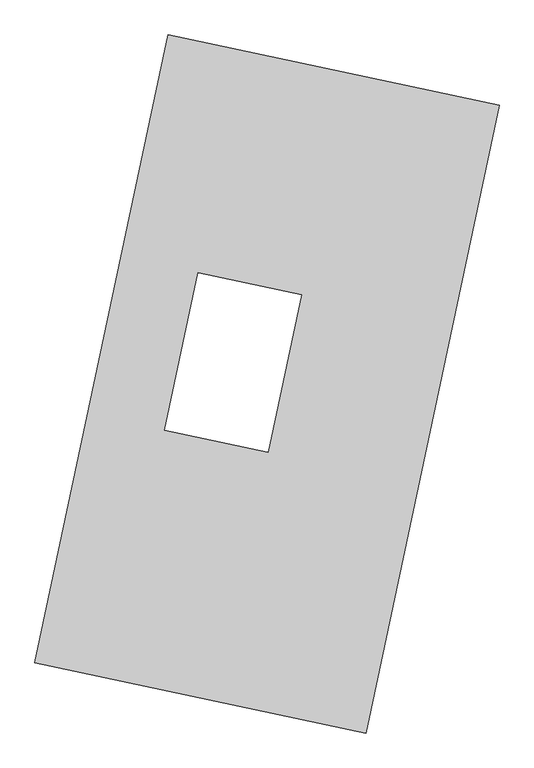
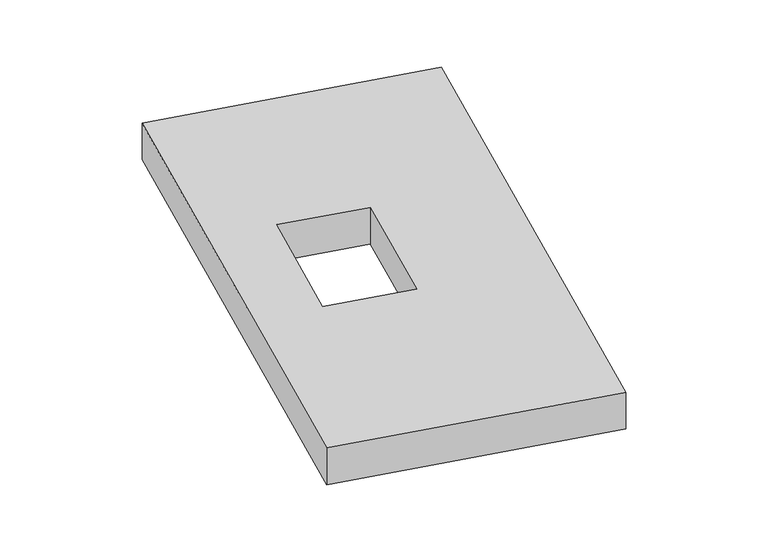
"""IFC4 building model written with IfcOpenShell, lengths in millimetres: proxy geometry."""

from ifc_helpers import new_model, si_unit, origin, origin_with_axes, place, context, project, spatial, polyline, outline, extrude, source, transform, mapped, element, save


def generic_models_ebbe2123(model_context):
    return source(origin(), model_context, "Body", "SweptSolid", [
        extrude(outline(polyline([(-617.3692021, 2175.5580432), (1447.7508745, 1737.3010494), (617.3692021, -2175.5580432), (-1447.7508745, -1737.3010494), (-617.3692021, 2175.5580432)]), holes=[polyline([(215.7244409, 556.2461291), (-430.8676551, 693.4650306), (-639.1751471, -288.1051209), (7.4169489, -425.3240223), (215.7244409, 556.2461291)])]), origin_with_axes(), (0.0, 0.0, 1.0), 300.0),
    ])


if __name__ == "__main__":
    model = new_model("IFC4")
    model_context = context("Model", 3, world=origin())
    ifc_project = project(units=[si_unit("LENGTHUNIT", "METRE", prefix="MILLI")], contexts=[model_context])
    site = spatial("IfcSite", under=ifc_project)
    building = spatial("IfcBuilding", under=site)
    placement = place(None, origin())
    generic_models_shape = generic_models_ebbe2123(model_context)
    element("IfcBuildingElementProxy", 1, Name="Generic Models", at=placement, inside=building, context=model_context, shape_type="MappedRepresentation", body=[
        mapped(generic_models_shape, transform((0.0, 0.0, 0.0), x_axis=(1.0, 0.0, 0.0), y_axis=(0.0, 1.0, 0.0), z_axis=(0.0, 0.0, 1.0))),
    ])
    save(model, "model.ifc")
